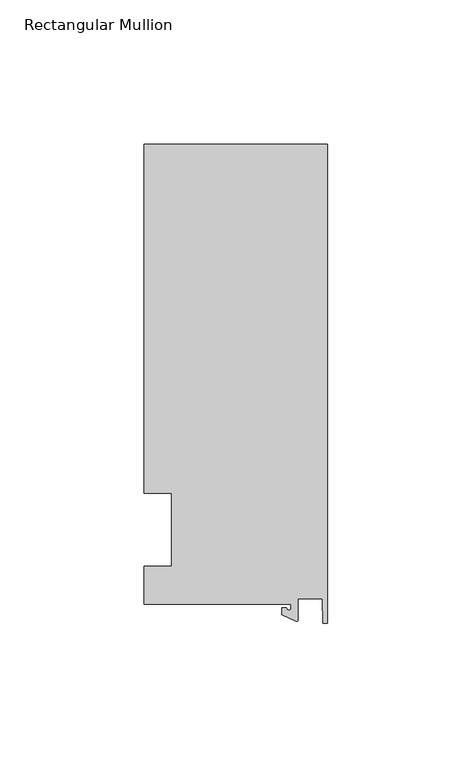
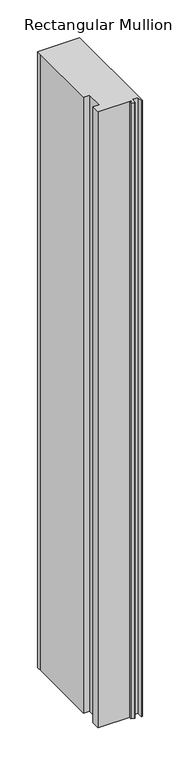
"""IFC4 building model written with IfcOpenShell, lengths in millimetres: member geometry, Rectangular Mullion."""

from ifc_helpers import new_model, si_unit, point, frame, frame_2d, origin, place, context, project, spatial, polyline, circle_curve, trimmed, segment, composite_curve, outline, extrude, source, transform, mapped, element, save


def rectangular_mullion_1a12e774(model_context):
    return source(origin(), model_context, "Body", "SweptSolid", [
        extrude(outline(composite_curve([segment(polyline([(-12.6173814, -25.796875), (-63.5, -25.796875), (-63.5, -12.7), (-53.975, -12.7), (-53.975, 12.7), (-63.5, 12.7), (-63.5, 125.8114907), (-63.5, 133.34365), (0.0, 133.34365), (0.0, -32.288874), (-1.5658966, -32.288874), (-1.7144124, -23.9227662), (-10.2297814, -23.9227662), (-10.2297814, -31.2414327)]), True, "CONTINUOUS"), segment(trimmed(circle_curve(frame_2d((-10.7377814, -31.2414327)), 0.508), [point((-10.2297814, -31.2414327))], [point((-10.9524715, -31.7018371))], False, "CARTESIAN"), True, "CONTINUOUS"), segment(polyline([(-10.9524715, -31.7018371), (-15.7923814, -29.44495), (-15.7923814, -27.0827507), (-14.2048814, -27.0827507)]), True, "CONTINUOUS"), segment(trimmed(circle_curve(frame_2d((-13.4111314, -27.0827507)), 0.79375), [point((-14.2048814, -27.0827507))], [point((-12.6173814, -27.0827507))], True, "CARTESIAN"), True, "CONTINUOUS"), segment(polyline([(-12.6173814, -27.0827507), (-12.6173814, -25.796875)]), True, "CONTINUOUS")], self_intersect=False)), frame((0.0, 0.0, -990.6), z_axis=(0.0, 0.0, 1.0), x_axis=(1.0, 0.0, 0.0)), (0.0, 0.0, 1.0), 990.6),
    ])


if __name__ == "__main__":
    model = new_model("IFC4")
    model_context = context("Model", 3, world=origin())
    ifc_project = project(units=[si_unit("LENGTHUNIT", "METRE", prefix="MILLI")], contexts=[model_context])
    site = spatial("IfcSite", under=ifc_project)
    building = spatial("IfcBuilding", under=site)
    placement = place(None, origin())
    rectangular_mullion_shape = rectangular_mullion_1a12e774(model_context)
    element("IfcMember", 1, ObjectType="Rectangular Mullion", at=placement, inside=building, context=model_context, shape_type="MappedRepresentation", body=[
        mapped(rectangular_mullion_shape, transform((0.0, 0.0, 0.0), x_axis=(1.0, 0.0, 0.0), y_axis=(0.0, 1.0, 0.0), z_axis=(0.0, 0.0, 1.0))),
    ])
    save(model, "model.ifc")
